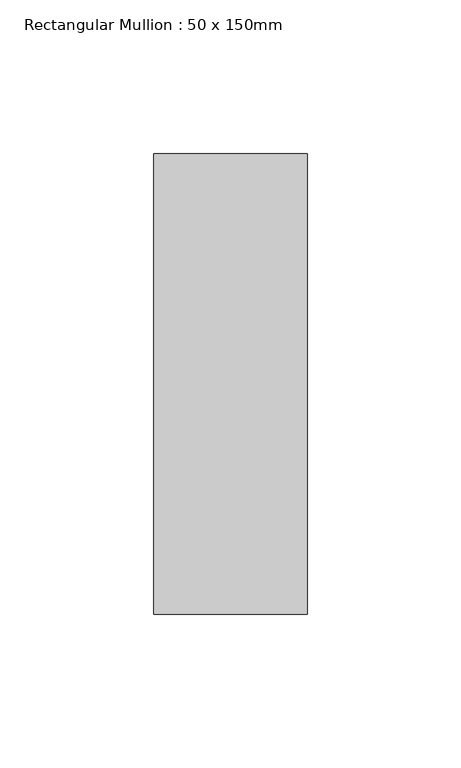
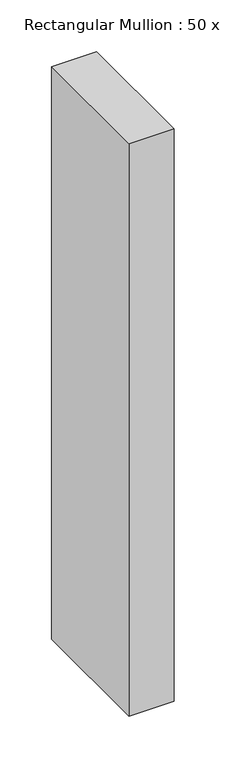
"""IFC4 building model written with IfcOpenShell, lengths in millimetres: member geometry, Rectangular Mullion : 50 x 150mm."""

from ifc_helpers import new_model, si_unit, frame, origin, place, context, project, spatial, polyline, outline, extrude, source, transform, mapped, element, save


def rectangular_mullion_50_x_150mm_9e0f1e24(model_context):
    return source(origin(), model_context, "Body", "SweptSolid", [
        extrude(outline(polyline([(25.0, 75.0), (25.0, -75.0), (-25.0, -75.0), (-25.0, 75.0), (25.0, 75.0)])), frame((0.0, 0.0, -675.0), z_axis=(0.0, 0.0, 1.0), x_axis=(1.0, 0.0, 0.0)), (0.0, 0.0, 1.0), 675.0),
    ])


if __name__ == "__main__":
    model = new_model("IFC4")
    model_context = context("Model", 3, world=origin())
    ifc_project = project(units=[si_unit("LENGTHUNIT", "METRE", prefix="MILLI")], contexts=[model_context])
    site = spatial("IfcSite", under=ifc_project)
    building = spatial("IfcBuilding", under=site)
    placement = place(None, origin())
    rectangular_mullion_50_x_150mm_shape = rectangular_mullion_50_x_150mm_9e0f1e24(model_context)
    element("IfcMember", 1, ObjectType="Rectangular Mullion : 50 x 150mm", at=placement, inside=building, context=model_context, shape_type="MappedRepresentation", body=[
        mapped(rectangular_mullion_50_x_150mm_shape, transform((0.0, 0.0, 0.0), x_axis=(1.0, 0.0, 0.0), y_axis=(0.0, 1.0, 0.0), z_axis=(0.0, 0.0, 1.0))),
    ])
    save(model, "model.ifc")
